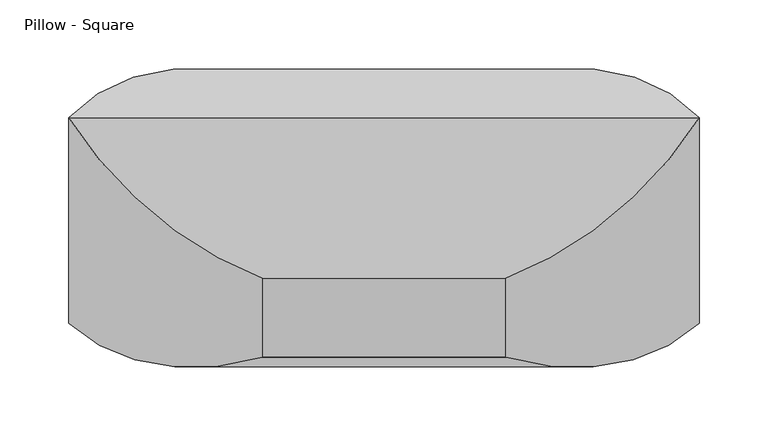
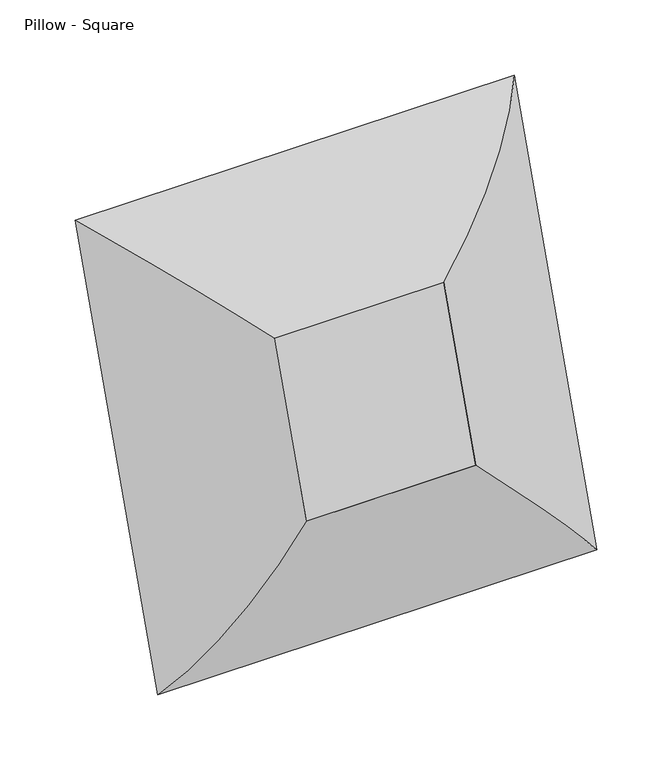
"""IFC4 building model written with IfcOpenShell, lengths in millimetres: furniture geometry, Pillow - Square."""

from ifc_helpers import new_model, si_unit, frame, origin, place, context, project, spatial, polyline, ellipse_curve, outline, extrude, source, transform, mapped, element, save
from ifc_brep_helpers import plane_surface, cylinder_surface, advanced_brep


def pillow_square_d946f8f9(model_context):
    return source(origin(), model_context, "Body", "SolidModel", [
        advanced_brep(
        [(-88.10625, 176.632238, 273.7911293), (-88.10625, 119.2630596, 107.1789373), (-228.2741804, 0.0, 0.0), (-228.2741804, 148.6376072, 431.6749557), (-88.10625, 32.5352071, 323.4077161), (-88.10625, -24.8339713, 156.7955241), (88.10625, 119.2630596, 107.1789373), (228.2741804, 0.0, 0.0), (88.10625, -24.8339713, 156.7955241), (88.10625, 176.632238, 273.7911293), (228.2741804, 148.6376072, 431.6749557), (88.10625, 32.5352071, 323.4077161)],
        [
            (0, 1),
            (1, 2, ellipse_curve(frame((-83.326504, -43.4077645, 168.2461521), z_axis=(-0.7071067811865471, 0.2302114497550404, 0.6685825965441241), x_axis=(0.7071067811865478, 0.2302114497550402, 0.6685825965441234)), 245.7274984, 173.7555804)),
            (2, 3),
            (3, 0, ellipse_curve(frame((-83.326504, 10.8491478, 325.8196669), z_axis=(-0.7071067811865477, -0.23021144975504015, -0.6685825965441236), x_axis=(-0.7071067811865472, 0.23021144975504043, 0.668582596544124)), 245.7274984, 173.7555804)),
            (4, 5),
            (5, 1),
            (0, 4),
            (2, 5, ellipse_curve(frame((-78.9179464, 154.3583886, 104.8123863), z_axis=(-0.7071067811865471, 0.2302114497550404, 0.6685825965441241), x_axis=(0.7071067811865478, 0.2302114497550402, 0.6685825965441234)), 263.8641638, 186.5801395)),
            (4, 3, ellipse_curve(frame((-78.9179464, 205.7447289, 254.0491549), z_axis=(-0.7071067811865477, -0.23021144975504015, -0.6685825965441236), x_axis=(-0.7071067811865472, 0.23021144975504043, 0.668582596544124)), 263.8641638, 186.5801395)),
            (1, 6),
            (6, 7, ellipse_curve(frame((83.326504, -43.4077645, 168.2461521), z_axis=(-0.7071067811865477, -0.23021144975504026, -0.6685825965441234), x_axis=(-0.7071067811865474, 0.23021144975504035, 0.6685825965441239)), 245.7274984, 173.7555804)),
            (7, 2),
            (5, 8),
            (8, 6),
            (7, 8, ellipse_curve(frame((78.9179464, 154.3583886, 104.8123863), z_axis=(-0.7071067811865477, -0.23021144975504026, -0.6685825965441234), x_axis=(-0.7071067811865474, 0.23021144975504035, 0.6685825965441239)), 263.8641638, 186.5801395)),
            (6, 9),
            (9, 10, ellipse_curve(frame((83.326504, 10.8491478, 325.8196669), z_axis=(0.7071067811865474, -0.23021144975504046, -0.6685825965441239), x_axis=(-0.7071067811865476, -0.23021144975504024, -0.6685825965441236)), 245.7274984, 173.7555804)),
            (10, 7),
            (8, 11),
            (11, 9),
            (10, 11, ellipse_curve(frame((78.9179464, 205.7447289, 254.0491549), z_axis=(0.7071067811865474, -0.23021144975504046, -0.6685825965441239), x_axis=(-0.7071067811865476, -0.23021144975504024, -0.6685825965441236)), 263.8641638, 186.5801395)),
            (9, 0),
            (3, 10),
            (11, 4),
        ],
        [
            cylinder_surface(frame((-83.326504, 12.4052809, 330.3390055), z_axis=(0.0, 0.3255681544571503, 0.945518575599319), x_axis=(0.0, 0.945518575599319, -0.3255681544571503)), 173.7555804),
            plane_surface(frame((-88.10625, 176.632238, 273.7911293), z_axis=(1.0000000000000002, 0.0, 0.0), x_axis=(0.0, -0.3255681544571504, -0.9455185755993191))),
            cylinder_surface(frame((-78.9179464, 208.736148, 262.7368666), z_axis=(0.0, 0.3255681544571503, 0.945518575599319), x_axis=(0.0, 0.945518575599319, -0.3255681544571503)), 186.5801395),
            cylinder_surface(frame((-88.10625, -43.4077645, 168.2461521), z_axis=(-1.0, 0.0, 0.0), x_axis=(0.0, 0.945518575599319, -0.3255681544571504)), 173.7555804),
            plane_surface(frame((-88.10625, 119.2630596, 107.1789373), z_axis=(0.0, 0.32556815445715026, 0.9455185755993192), x_axis=(1.0, 0.0, 0.0))),
            cylinder_surface(frame((-88.10625, 154.3583886, 104.8123863), z_axis=(-1.0, 0.0, 0.0), x_axis=(0.0, 0.945518575599319, -0.3255681544571504)), 186.5801395),
            cylinder_surface(frame((83.326504, -44.9638976, 163.7268135), z_axis=(0.0, -0.3255681544571504, -0.9455185755993191), x_axis=(0.0, 0.9455185755993191, -0.3255681544571504)), 173.7555804),
            plane_surface(frame((88.10625, 119.2630596, 107.1789373), z_axis=(-1.0000000000000002, 0.0, 0.0), x_axis=(0.0, 0.32556815445715026, 0.9455185755993192))),
            cylinder_surface(frame((78.9179464, 151.3669696, 96.1246746), z_axis=(0.0, -0.3255681544571504, -0.9455185755993191), x_axis=(0.0, 0.9455185755993191, -0.3255681544571504)), 186.5801395),
            cylinder_surface(frame((88.10625, 10.8491478, 325.8196669), z_axis=(1.0, 0.0, 0.0), x_axis=(0.0, 0.945518575599319, -0.3255681544571502)), 173.7555804),
            plane_surface(frame((88.10625, 176.632238, 273.7911293), z_axis=(0.0, -0.32556815445715054, -0.9455185755993191), x_axis=(-1.0, 0.0, 0.0))),
            cylinder_surface(frame((88.10625, 205.7447289, 254.0491549), z_axis=(1.0, 0.0, 0.0), x_axis=(0.0, 0.945518575599319, -0.3255681544571502)), 186.5801395),
        ],
        [
            (0, [[1, 2, 3, 4]]),
            (1, [[5, 6, -1, 7]]),
            (2, [[-3, 8, -5, 9]]),
            (3, [[10, 11, 12, -2]]),
            (4, [[13, 14, -10, -6]]),
            (5, [[-12, 15, -13, -8]]),
            (6, [[16, 17, 18, -11]]),
            (7, [[19, 20, -16, -14]]),
            (8, [[-18, 21, -19, -15]]),
            (9, [[22, -4, 23, -17]]),
            (10, [[24, -7, -22, -20]]),
            (11, [[-23, -9, -24, -21]]),
        ],
    ),
        extrude(outline(polyline([(0.0, 176.2125), (152.4, 176.2125), (152.4, 0.0), (0.0, 0.0), (0.0, 176.2125)])), frame((-88.10625, 119.2630596, 107.1789373), z_axis=(0.0, 0.3255681544571503, 0.9455185755993191), x_axis=(0.0, -0.9455185755993191, 0.3255681544571503)), (0.0, 0.0, 1.0), 176.2125),
    ])


if __name__ == "__main__":
    model = new_model("IFC4")
    model_context = context("Model", 3, world=origin())
    ifc_project = project(units=[si_unit("LENGTHUNIT", "METRE", prefix="MILLI")], contexts=[model_context])
    site = spatial("IfcSite", under=ifc_project)
    building = spatial("IfcBuilding", under=site)
    placement = place(None, origin())
    pillow_square_shape = pillow_square_d946f8f9(model_context)
    element("IfcFurniture", 1, ObjectType="Pillow - Square", at=placement, inside=building, context=model_context, shape_type="MappedRepresentation", body=[
        mapped(pillow_square_shape, transform((0.0, 0.0, 0.0), x_axis=(1.0, 0.0, 0.0), y_axis=(0.0, 1.0, 0.0), z_axis=(0.0, 0.0, 1.0))),
    ])
    save(model, "model.ifc")
